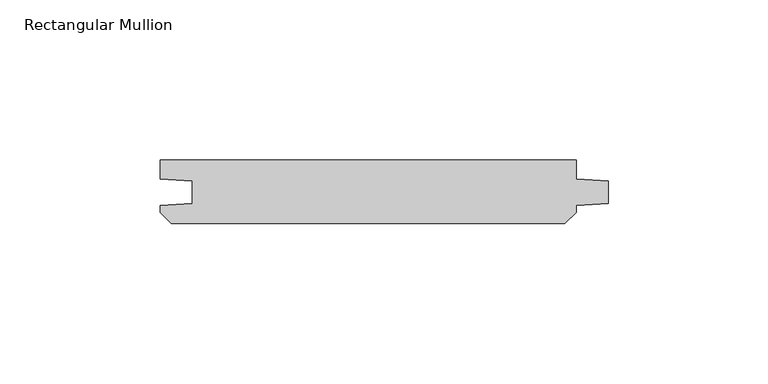
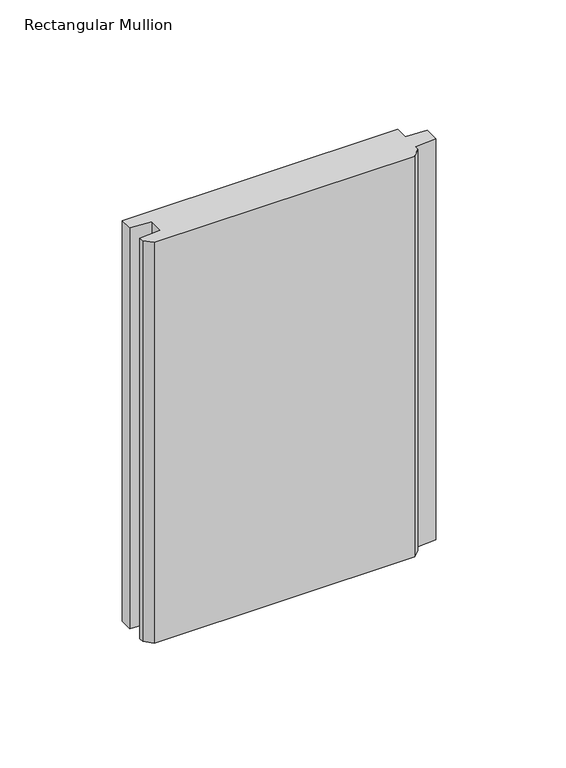
"""IFC4 building model written with IfcOpenShell, lengths in millimetres: member geometry, Rectangular Mullion."""

from ifc_helpers import new_model, si_unit, frame, origin, place, context, project, spatial, polyline, outline, extrude, source, transform, mapped, element, save


def rectangular_mullion_8734e1be(model_context):
    return source(origin(), model_context, "Body", "SweptSolid", [
        extrude(outline(polyline([(-10.0, 0.0), (-10.0, -5.9651903), (0.0, -6.6644584), (0.0, -13.6642442), (-10.0, -14.3635124), (-10.0, -16.5283124), (-13.4716876, -20.0), (-136.5283124, -20.0), (-140.0, -16.5283124), (-140.0, -14.3635124), (-130.0, -13.6642442), (-130.0, -6.6644584), (-140.0, -5.9651903), (-140.0, 0.0), (-10.0, 0.0)])), frame((0.0, 0.0, -200.0), z_axis=(0.0, 0.0, 1.0), x_axis=(1.0, 0.0, 0.0)), (0.0, 0.0, 1.0), 200.0),
    ])


if __name__ == "__main__":
    model = new_model("IFC4")
    model_context = context("Model", 3, world=origin())
    ifc_project = project(units=[si_unit("LENGTHUNIT", "METRE", prefix="MILLI")], contexts=[model_context])
    site = spatial("IfcSite", under=ifc_project)
    building = spatial("IfcBuilding", under=site)
    placement = place(None, origin())
    rectangular_mullion_shape = rectangular_mullion_8734e1be(model_context)
    element("IfcMember", 1, ObjectType="Rectangular Mullion", at=placement, inside=building, context=model_context, shape_type="MappedRepresentation", body=[
        mapped(rectangular_mullion_shape, transform((0.0, 0.0, 0.0), x_axis=(1.0, 0.0, 0.0), y_axis=(0.0, 1.0, 0.0), z_axis=(0.0, 0.0, 1.0))),
    ])
    save(model, "model.ifc")
